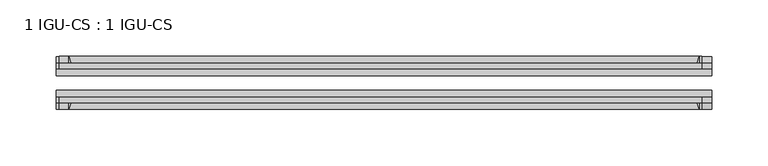
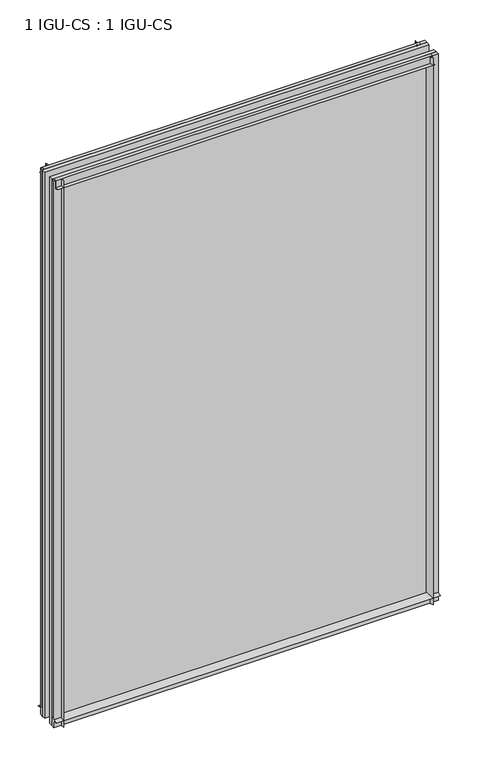
"""IFC4 building model written with IfcOpenShell, lengths in millimetres: plate geometry, 1 IGU-CS : 1 IGU-CS."""

import ifcopenshell
import ifcopenshell.guid

model = None  # the IFC model being written
_history = None  # IfcOwnerHistory: only IFC2X3 demands one
_inside = {}  # id of a spatial element -> (the spatial element, [elements in it])
_under = {}  # id of a project, library or spatial element -> (it, [spatial elements below it])
_declared = {}  # id of a project -> (the project, [libraries it declares])
_typed = {}  # id of a type object -> (the type object, [elements of that type])
_made_of = {}  # id of a material, layer set ... -> (it, [elements and type objects made of it])


def new_model(schema):
    """Start an empty IFC model of exactly this schema.

    Asked for "IFC4X3", IfcOpenShell would pick the latest addendum, in which some entities
    have other attributes; the version numbers below select the first issue.
    IFC2X3 requires an IfcOwnerHistory on every rooted entity: one is made here for all.
    """
    global model, _history
    if schema == "IFC4X3":
        model = ifcopenshell.file(schema_version=(4, 3, 0, 0))
    else:
        model = ifcopenshell.file(schema=schema)
    _inside.clear()
    _under.clear()
    _declared.clear()
    _typed.clear()
    _made_of.clear()
    _history = None
    if model.schema == "IFC2X3":
        org = make("IfcOrganization", Name="unknown")
        user = make(
            "IfcPersonAndOrganization",
            ThePerson=make("IfcPerson", FamilyName="unknown"),
            TheOrganization=org,
        )
        app = make(
            "IfcApplication",
            ApplicationDeveloper=org,
            Version="unknown",
            ApplicationFullName="unknown",
            ApplicationIdentifier="unknown",
        )
        _history = make(
            "IfcOwnerHistory",
            OwningUser=user,
            OwningApplication=app,
            ChangeAction="ADDED",
            CreationDate=0,
        )
    return model


def make(cls, **values):
    """One entity of the class cls with the attributes given. An attribute that is None is left unset."""
    return model.create_entity(
        cls, **{name: value for name, value in values.items() if value is not None}
    )


def rooted(cls, **values):
    """An entity with a GlobalId (a new one), such as an element, a storey or a relation."""
    return make(cls, GlobalId=ifcopenshell.guid.new(), OwnerHistory=_history, **values)


def si_unit(unit_type, name, prefix=None):
    """IfcSIUnit, for example si_unit("LENGTHUNIT", "METRE", prefix="MILLI")."""
    return make("IfcSIUnit", UnitType=unit_type, Prefix=prefix, Name=name)


def assignment(units):
    """IfcUnitAssignment: the units of a project."""
    return None if units is None else make("IfcUnitAssignment", Units=units)


def point(xyz):
    """IfcCartesianPoint."""
    return None if xyz is None else make("IfcCartesianPoint", Coordinates=xyz)


def direction(xyz):
    """IfcDirection."""
    return None if xyz is None else make("IfcDirection", DirectionRatios=xyz)


def frame(location, z_axis=None, x_axis=None):
    """IfcAxis2Placement3D, a coordinate frame: its origin and axes. An axis left out is left unset."""
    return make(
        "IfcAxis2Placement3D",
        Location=point(location),
        Axis=direction(z_axis),
        RefDirection=direction(x_axis),
    )


def frame_2d(location, x_axis=None):
    """IfcAxis2Placement2D, a coordinate frame in the plane: its origin and x axis."""
    return make(
        "IfcAxis2Placement2D", Location=point(location), RefDirection=direction(x_axis)
    )


def origin():
    """The frame at (0, 0, 0) with its axes left unset."""
    return frame((0.0, 0.0, 0.0))


def place(relative_to, where):
    """IfcLocalPlacement: puts the frame where relative to a parent placement (None: the world)."""
    return make(
        "IfcLocalPlacement", PlacementRelTo=relative_to, RelativePlacement=where
    )


def context(
    kind, dimensions, precision=None, world=None, true_north=None, identifier=None
):
    """IfcGeometricRepresentationContext, for example the 3D "Model" context."""
    return make(
        "IfcGeometricRepresentationContext",
        ContextIdentifier=identifier,
        ContextType=kind,
        CoordinateSpaceDimension=dimensions,
        Precision=precision,
        WorldCoordinateSystem=world,
        TrueNorth=true_north,
    )


def project(units=None, contexts=None):
    """IfcProject with its units and contexts."""
    return rooted(
        "IfcProject",
        Name="project",
        RepresentationContexts=contexts,
        UnitsInContext=assignment(units),
    )


def spatial(cls, under=None, at=None, **own):
    """A site, building, storey or space (cls), placed at a placement, below another one or the project."""
    s = rooted(cls, ObjectPlacement=at, **own)
    if under is not None:
        _under.setdefault(under.id(), (under, []))[1].append(s)
    return s


def polyline(points):
    """IfcPolyline through the points."""
    return make("IfcPolyline", Points=[point(p) for p in points])


def circle_curve(where, radius):
    """IfcCircle in the frame where."""
    return make("IfcCircle", Position=where, Radius=radius)


def trimmed(basis, trim1, trim2, sense, master):
    """IfcTrimmedCurve: the piece of a basis curve between two trims."""
    return make(
        "IfcTrimmedCurve",
        BasisCurve=basis,
        Trim1=trim1,
        Trim2=trim2,
        SenseAgreement=sense,
        MasterRepresentation=master,
    )


def segment(curve, same_sense, transition):
    """IfcCompositeCurveSegment."""
    return make(
        "IfcCompositeCurveSegment",
        Transition=transition,
        SameSense=same_sense,
        ParentCurve=curve,
    )


def composite_curve(segments, self_intersect=None):
    """IfcCompositeCurve: segments joined end to end."""
    return make("IfcCompositeCurve", Segments=segments, SelfIntersect=self_intersect)


def outline(outer, holes=None, kind="AREA"):
    """IfcArbitraryClosedProfileDef: a profile drawn as a closed curve; with holes, ...WithVoids."""
    if holes is None:
        return make("IfcArbitraryClosedProfileDef", ProfileType=kind, OuterCurve=outer)
    return make(
        "IfcArbitraryProfileDefWithVoids",
        ProfileType=kind,
        OuterCurve=outer,
        InnerCurves=holes,
    )


def extrude(swept, where, along, depth):
    """IfcExtrudedAreaSolid: the profile swept, set in the frame where, extruded along a direction by depth."""
    return make(
        "IfcExtrudedAreaSolid",
        SweptArea=swept,
        Position=where,
        ExtrudedDirection=direction(along),
        Depth=depth,
    )


def shape(context_of_items, identifier, shape_type, items):
    """IfcShapeRepresentation: the items that make up one representation, for example the "Body"."""
    return make(
        "IfcShapeRepresentation",
        ContextOfItems=context_of_items,
        RepresentationIdentifier=identifier,
        RepresentationType=shape_type,
        Items=items,
    )


def source(mapping_origin, context_of_items, identifier, shape_type, items):
    """IfcRepresentationMap: a shape defined once, which mapped items show again and again."""
    return make(
        "IfcRepresentationMap",
        MappingOrigin=mapping_origin,
        MappedRepresentation=shape(context_of_items, identifier, shape_type, items),
    )


def transform(
    local_origin,
    x_axis=None,
    y_axis=None,
    z_axis=None,
    scale=None,
    scale2=None,
    scale3=None,
    uniform=True,
):
    """IfcCartesianTransformationOperator3D, or its non-uniform kind. x_axis, y_axis, z_axis: its Axis1, 2, 3."""
    if uniform:
        return make(
            "IfcCartesianTransformationOperator3D",
            Axis1=direction(x_axis),
            Axis2=direction(y_axis),
            LocalOrigin=point(local_origin),
            Scale=scale,
            Axis3=direction(z_axis),
        )
    return make(
        "IfcCartesianTransformationOperator3DnonUniform",
        Axis1=direction(x_axis),
        Axis2=direction(y_axis),
        LocalOrigin=point(local_origin),
        Scale=scale,
        Axis3=direction(z_axis),
        Scale2=scale2,
        Scale3=scale3,
    )


def mapped(mapping_source, mapping_target):
    """IfcMappedItem: shows the shape of a source again, moved by a transform."""
    return make(
        "IfcMappedItem", MappingSource=mapping_source, MappingTarget=mapping_target
    )


def made_of(thing, what):
    """Note that an element or type object is made of a material, layer set ...; save() writes the relation."""
    if what is not None:
        _made_of.setdefault(what.id(), (what, []))[1].append(thing)
    return thing


def element(
    cls,
    number,
    at=None,
    inside=None,
    cuts=None,
    type_object=None,
    material=None,
    context=None,
    identifier="Body",
    shape_type=None,
    held_by="IfcProductDefinitionShape",
    body=None,
    shapes=None,
    **own,
):
    """One element of the class cls, such as IfcWall. Its Tag is "e" and its number.

    at: its placement. inside: the storey or other place that contains it. cuts: it is an
    opening in that element (IfcRelVoidsElement). A single representation is given by context,
    identifier, shape_type and body (its items); several are given by shapes. held_by: the class
    of the entity that holds the representations. save() writes the other relations.
    """
    e = rooted(cls, Tag="e%d" % number, ObjectPlacement=at, **own)
    if body is not None:
        shapes = [shape(context, identifier, shape_type, body)]
    if shapes is not None:
        e.Representation = make(held_by, Representations=shapes)
    if inside is not None:
        _inside.setdefault(inside.id(), (inside, []))[1].append(e)
    if cuts is not None:
        rooted(
            "IfcRelVoidsElement", RelatingBuildingElement=cuts, RelatedOpeningElement=e
        )
    if type_object is not None:
        _typed.setdefault(type_object.id(), (type_object, []))[1].append(e)
    return made_of(e, material)


def aggregate(whole, parts):
    """IfcRelAggregates: a whole, such as a stair, and the parts it consists of."""
    return rooted("IfcRelAggregates", RelatingObject=whole, RelatedObjects=parts)


def save(model, path):
    """Write the relations noted so far, then the file.

    IfcRelAggregates (storeys below a building ...), IfcRelContainedInSpatialStructure (elements
    in a storey), IfcRelDefinesByType, IfcRelAssociatesMaterial and IfcRelDeclares: one each for
    every whole, place, type object, material and project.
    """
    for whole, parts in _under.values():
        aggregate(whole, parts)
    for where, things in _inside.values():
        rooted(
            "IfcRelContainedInSpatialStructure",
            RelatedElements=things,
            RelatingStructure=where,
        )
    for kind, things in _typed.values():
        rooted("IfcRelDefinesByType", RelatedObjects=things, RelatingType=kind)
    for what, things in _made_of.values():
        rooted("IfcRelAssociatesMaterial", RelatedObjects=things, RelatingMaterial=what)
    for by, libraries in _declared.values():
        rooted("IfcRelDeclares", RelatingContext=by, RelatedDefinitions=libraries)
    model.write(path)


def plate_1_igu_cs_1_igu_cs_0c7a077a(model_context):
    return source(origin(), model_context, "Body", "SweptSolid", [
        extrude(outline(composite_curve([segment(trimmed(circle_curve(frame_2d((-28.0741797, 32.2797688)), 32.7673262), [point((-44.45, 3.8979053))], [point((-33.7058, 1.48e-05))], True, "CARTESIAN"), True, "CONTINUOUS"), segment(polyline([(-33.7058, 1.48e-05), (-39.6748, 1.48e-05), (-39.6748, -10.31875), (-44.45, -10.31875), (-44.45, 3.8979053)]), True, "CONTINUOUS")], self_intersect=False)), frame((-290.5125, 0.0, 0.0), z_axis=(1.0, 0.0, 0.0), x_axis=(0.0, 1.0, 0.0)), (0.0, 0.0, 1.0), 581.025),
        extrude(outline(composite_curve([segment(trimmed(circle_curve(frame_2d((-86.2258203, 32.2797602)), 32.7673262), [point((-80.5942354, 0.0))], [point((-69.85, 3.8978967))], True, "CARTESIAN"), True, "CONTINUOUS"), segment(polyline([(-69.85, 3.8978967), (-69.85, -10.31875), (-74.6252, -10.31875), (-74.6252, 0.0), (-80.5942354, 0.0)]), True, "CONTINUOUS")], self_intersect=False)), frame((-290.5125, 0.0, 0.0), z_axis=(1.0, 0.0, 0.0), x_axis=(0.0, 1.0, 0.0)), (0.0, 0.0, 1.0), 581.025),
        extrude(outline(composite_curve([segment(polyline([(-80.5942, 850.9), (-74.6252, 850.9), (-74.6252, 862.0125), (-69.85, 862.0125), (-69.85, 847.0021095)]), True, "CONTINUOUS"), segment(trimmed(circle_curve(frame_2d((-86.2258203, 818.620246)), 32.7673262), [point((-69.85, 847.0021095))], [point((-80.5942, 850.9))], True, "CARTESIAN"), True, "CONTINUOUS")], self_intersect=False)), frame((-287.9127386, 0.0, 0.0), z_axis=(1.0, 0.0, 0.0), x_axis=(0.0, 1.0, 0.0)), (0.0, 0.0, 1.0), 569.8587001),
        extrude(outline(composite_curve([segment(polyline([(-39.6748, 862.0125), (-39.6748, 850.9), (-33.7058, 850.9)]), True, "CONTINUOUS"), segment(trimmed(circle_curve(frame_2d((-28.0741797, 818.620246)), 32.7673262), [point((-33.7058, 850.9))], [point((-44.45, 847.0021095))], True, "CARTESIAN"), True, "CONTINUOUS"), segment(polyline([(-44.45, 847.0021095), (-44.45, 862.0125), (-39.6748, 862.0125)]), True, "CONTINUOUS")], self_intersect=False)), frame((-287.9127386, 0.0, 0.0), z_axis=(1.0, 0.0, 0.0), x_axis=(0.0, 1.0, 0.0)), (0.0, 0.0, 1.0), 569.8587001),
        extrude(outline(composite_curve([segment(polyline([(290.5125, -39.6748), (290.5125, -44.45), (275.5021095, -44.45)]), True, "CONTINUOUS"), segment(trimmed(circle_curve(frame_2d((247.120246, -28.0741797)), 32.7673262), [point((275.5021095, -44.45))], [point((279.4, -33.7058))], True, "CARTESIAN"), True, "CONTINUOUS"), segment(polyline([(279.4, -33.7058), (279.4, -39.6748), (290.5125, -39.6748)]), True, "CONTINUOUS")], self_intersect=False)), frame((0.0, 0.0, -10.31875), z_axis=(0.0, 0.0, 1.0), x_axis=(1.0, 0.0, 0.0)), (0.0, 0.0, 1.0), 872.33125),
        extrude(outline(composite_curve([segment(polyline([(290.5125, -69.85), (290.5125, -74.6252), (279.4, -74.6252), (279.4, -80.5942)]), True, "CONTINUOUS"), segment(trimmed(circle_curve(frame_2d((247.120246, -86.2258203)), 32.7673262), [point((279.4, -80.5942))], [point((275.5021095, -69.85))], True, "CARTESIAN"), True, "CONTINUOUS"), segment(polyline([(275.5021095, -69.85), (290.5125, -69.85)]), True, "CONTINUOUS")], self_intersect=False)), frame((0.0, 0.0, -10.31875), z_axis=(0.0, 0.0, 1.0), x_axis=(1.0, 0.0, 0.0)), (0.0, 0.0, 1.0), 872.33125),
        extrude(outline(composite_curve([segment(polyline([(-290.5125, -39.6748), (-279.4, -39.6748), (-279.4, -33.7058)]), True, "CONTINUOUS"), segment(trimmed(circle_curve(frame_2d((-247.120246, -28.0741797)), 32.7673262), [point((-279.4, -33.7058))], [point((-275.5021095, -44.45))], True, "CARTESIAN"), True, "CONTINUOUS"), segment(polyline([(-275.5021095, -44.45), (-290.5125, -44.45), (-290.5125, -39.6748)]), True, "CONTINUOUS")], self_intersect=False)), frame((0.0, 0.0, -10.31875), z_axis=(0.0, 0.0, 1.0), x_axis=(1.0, 0.0, 0.0)), (0.0, 0.0, 1.0), 872.33125),
        extrude(outline(composite_curve([segment(polyline([(-290.5125, -74.6252), (-290.5125, -69.85), (-275.5021095, -69.85)]), True, "CONTINUOUS"), segment(trimmed(circle_curve(frame_2d((-247.120246, -86.2258203)), 32.7673262), [point((-275.5021095, -69.85))], [point((-279.4, -80.5942))], True, "CARTESIAN"), True, "CONTINUOUS"), segment(polyline([(-279.4, -80.5942), (-279.4, -74.6252), (-290.5125, -74.6252)]), True, "CONTINUOUS")], self_intersect=False)), frame((0.0, 0.0, -10.31875), z_axis=(0.0, 0.0, 1.0), x_axis=(1.0, 0.0, 0.0)), (0.0, 0.0, 1.0), 872.33125),
        extrude(outline(polyline([(-290.5125, -69.85), (-290.5125, -63.5508), (290.5125, -63.5508), (290.5125, -69.85), (-290.5125, -69.85)])), frame((0.0, 0.0, -10.31875), z_axis=(0.0, 0.0, 1.0), x_axis=(1.0, 0.0, 0.0)), (0.0, 0.0, 1.0), 872.33125),
        extrude(outline(polyline([(290.5125, -50.7492), (-290.5125, -50.7492), (-290.5125, -44.45), (290.5125, -44.45), (290.5125, -50.7492)])), frame((0.0, 0.0, -10.31875), z_axis=(0.0, 0.0, 1.0), x_axis=(1.0, 0.0, 0.0)), (0.0, 0.0, 1.0), 872.33125),
    ])


if __name__ == "__main__":
    model = new_model("IFC4")
    model_context = context("Model", 3, world=origin())
    ifc_project = project(units=[si_unit("LENGTHUNIT", "METRE", prefix="MILLI")], contexts=[model_context])
    site = spatial("IfcSite", under=ifc_project)
    building = spatial("IfcBuilding", under=site)
    placement = place(None, origin())
    plate_1_igu_cs_1_igu_cs_shape = plate_1_igu_cs_1_igu_cs_0c7a077a(model_context)
    element("IfcPlate", 1, ObjectType="1 IGU-CS : 1 IGU-CS", at=placement, inside=building, context=model_context, shape_type="MappedRepresentation", body=[
        mapped(plate_1_igu_cs_1_igu_cs_shape, transform((0.0, 0.0, 0.0), x_axis=(1.0, 0.0, 0.0), y_axis=(0.0, 1.0, 0.0), z_axis=(0.0, 0.0, 1.0))),
    ])
    save(model, "model.ifc")
